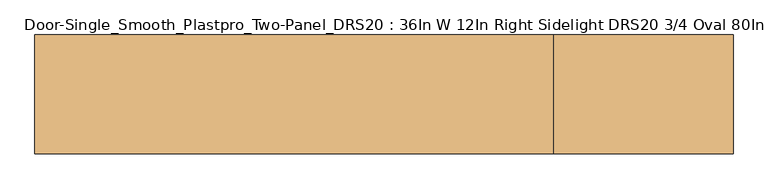
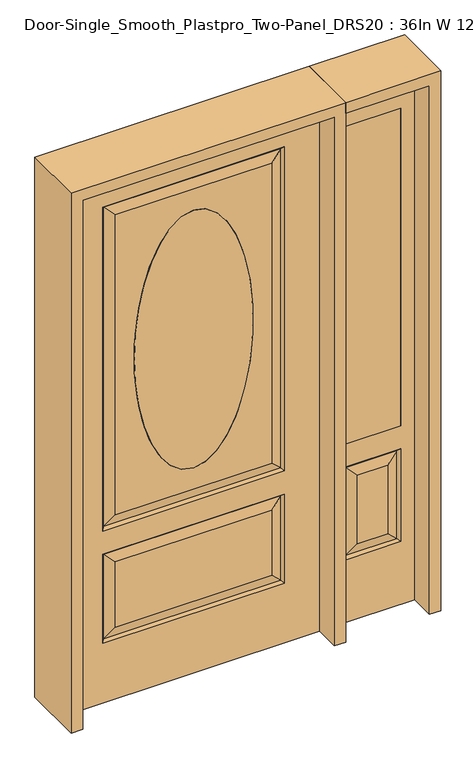
"""IFC4 building model written with IfcOpenShell, lengths in millimetres: door geometry, Door-Single_Smooth_Plastpro_Two-Panel_DRS20 : 36In W 12In Right Sidelight DRS20 3/4 Oval 80In Smooth."""

from ifc_helpers import new_model, si_unit, point, frame, origin, place, context, project, spatial, polyline, ellipse_curve, trimmed, outline, extrude, faceted_brep, source, transform, mapped, element, save
from ifc_brep_helpers import plane_surface, extruded_surface, advanced_brep


def door_single_smooth_plastpro_two_panel_drs20_36in_w_12in_939c42a2(model_context):
    return source(origin(), model_context, "Body", "SolidModel", [
        extrude(outline(polyline([(549.275, -20.6375), (549.275, 20.6375), (752.475, 20.6375), (752.475, -20.6375), (549.275, -20.6375)])), frame((0.0, 0.0, 685.8), z_axis=(0.0, 0.0, 1.0), x_axis=(1.0, 0.0, 0.0)), (0.0, 0.0, 1.0), 1219.2),
        faceted_brep([(803.275, -20.6375, 0.0), (803.275, -20.6375, 2032.0), (498.475, -20.6375, 2032.0), (498.475, -20.6375, 0.0), (549.275, -20.6375, 685.8), (549.275, -20.6375, 1905.0), (752.475, -20.6375, 1905.0), (752.475, -20.6375, 685.8), (549.275, -20.6375, 241.3), (549.275, -20.6375, 596.9), (752.475, -20.6375, 596.9), (752.475, -20.6375, 241.3), (706.4375, -20.6375, 287.3375), (706.4375, -20.6375, 550.8625), (595.3125, -20.6375, 550.8625), (595.3125, -20.6375, 287.3375), (498.475, 20.6375, 0.0), (803.275, 20.6375, 0.0), (498.475, 20.6375, 2032.0), (803.275, 20.6375, 2032.0), (558.2552561, -11.6572439, 250.2802561), (743.4947439, -11.6572439, 250.2802561), (743.4947439, -11.6572439, 587.9197439), (558.2552561, -11.6572439, 587.9197439), (752.475, 20.6375, 685.8), (549.275, 20.6375, 685.8), (752.475, 20.6375, 1905.0), (549.275, 20.6375, 1905.0), (752.475, 20.6375, 241.3), (752.475, 20.6375, 596.9), (549.275, 20.6375, 596.9), (549.275, 20.6375, 241.3), (595.3125, 20.6375, 287.3375), (595.3125, 20.6375, 550.8625), (706.4375, 20.6375, 550.8625), (706.4375, 20.6375, 287.3375), (558.2552561, 11.6572439, 250.2802561), (743.4947439, 11.6572439, 250.2802561), (558.2552561, 11.6572439, 587.9197439), (743.4947439, 11.6572439, 587.9197439)], [[[0, 1, 2, 3], [4, 5, 6, 7], [8, 9, 10, 11]], [[12, 13, 14, 15]], [[3, 16, 17, 0]], [[2, 18, 16, 3]], [[0, 17, 19, 1]], [[20, 8, 11, 21]], [[11, 10, 22, 21]], [[10, 9, 23, 22]], [[20, 23, 9, 8]], [[21, 12, 15, 20]], [[15, 14, 23, 20]], [[22, 23, 14, 13]], [[21, 22, 13, 12]], [[4, 7, 24, 25]], [[7, 6, 26, 24]], [[25, 27, 5, 4]], [[17, 16, 18, 19], [24, 26, 27, 25], [28, 29, 30, 31]], [[32, 33, 34, 35]], [[28, 31, 36, 37]], [[31, 30, 38, 36]], [[39, 38, 30, 29]], [[37, 39, 29, 28]], [[36, 32, 35, 37]], [[35, 34, 39, 37]], [[34, 33, 38, 39]], [[36, 38, 33, 32]], [[1, 19, 18, 2]], [[27, 26, 6, 5]]]),
        advanced_brep(
        [(0.0, -20.6375, 1778.0), (0.0, -20.6375, 787.4), (0.0, 20.6375, 1778.0), (0.0, 20.6375, 787.4)],
        [
            (0, 1, ellipse_curve(frame((0.0, -20.6375, 1282.7), z_axis=(0.0, -1.0, 0.0), x_axis=(0.0, 0.0, -1.0)), 495.3, 215.9)),
            (1, 0, ellipse_curve(frame((0.0, -20.6375, 1282.7), z_axis=(0.0, -1.0, 0.0), x_axis=(0.0, 0.0, -1.0)), 495.3, 215.9)),
            (0, 2),
            (2, 3, ellipse_curve(frame((0.0, 20.6375, 1282.7), z_axis=(0.0, -1.0, 0.0), x_axis=(0.0, 0.0, -1.0)), 495.3, 215.9)),
            (3, 1),
            (3, 2, ellipse_curve(frame((0.0, 20.6375, 1282.7), z_axis=(0.0, -1.0, 0.0), x_axis=(0.0, 0.0, -1.0)), 495.3, 215.9)),
        ],
        [
            plane_surface(frame((0.0, -20.6375, 787.4), z_axis=(0.0, -1.0, 0.0), x_axis=(1.0, 0.0, 0.0))),
            extruded_surface(trimmed(ellipse_curve(frame((0.0, 61.9125, 1282.7), z_axis=(0.0, -1.0, 0.0), x_axis=(0.0, 0.0, -1.0)), 495.3, 215.9), [point((0.0, 61.9125, 1778.0))], [point((0.0, 61.9125, 787.4))], True, "CARTESIAN"), (0.0, -41.275000000000006, 0.0), 41.275000000000006),
            extruded_surface(trimmed(ellipse_curve(frame((0.0, 61.9125, 1282.7), z_axis=(0.0, -1.0, 0.0), x_axis=(0.0, 0.0, -1.0)), 495.3, 215.9), [point((0.0, 61.9125, 787.4))], [point((0.0, 61.9125, 1778.0))], True, "CARTESIAN"), (0.0, -41.275000000000006, 0.0), 41.275000000000006),
            plane_surface(frame((0.0, 20.6375, 787.4), z_axis=(0.0, 1.0, 0.0), x_axis=(-1.0, 0.0, 0.0))),
        ],
        [
            (0, [[1, 2]]),
            (1, [[-1, 3, 4, 5]]),
            (2, [[-2, -5, 6, -3]]),
            (3, [[-6, -4]]),
        ],
    ),
        advanced_brep(
        [(457.2, 20.6375, 0.0), (457.2, -20.6375, 0.0), (-457.2, -20.6375, 0.0), (-457.2, 20.6375, 0.0), (457.2, 20.6375, 2032.0), (457.2, -20.6375, 2032.0), (-284.1625, -20.6375, 706.4375), (284.1625, -20.6375, 706.4375), (284.1625, -20.6375, 1858.9625), (-284.1625, -20.6375, 1858.9625), (0.0, -20.6375, 787.4), (0.0, -20.6375, 1778.0), (-284.1625, -20.6375, 274.6375), (284.1625, -20.6375, 274.6375), (284.1625, -20.6375, 525.4625), (-284.1625, -20.6375, 525.4625), (-457.2, -20.6375, 2032.0), (330.2, -20.6375, 660.4), (-330.2, -20.6375, 660.4), (-330.2, -20.6375, 1905.0), (330.2, -20.6375, 1905.0), (330.2, -20.6375, 228.6), (-330.2, -20.6375, 228.6), (-330.2, -20.6375, 571.5), (330.2, -20.6375, 571.5), (-457.2, 20.6375, 2032.0), (-284.1625, 20.6375, 525.4625), (284.1625, 20.6375, 525.4625), (284.1625, 20.6375, 274.6375), (-284.1625, 20.6375, 274.6375), (-284.1625, 20.6375, 1858.9625), (284.1625, 20.6375, 1858.9625), (284.1625, 20.6375, 706.4375), (-284.1625, 20.6375, 706.4375), (0.0, 20.6375, 1778.0), (0.0, 20.6375, 787.4), (330.2, 20.6375, 571.5), (-330.2, 20.6375, 571.5), (-330.2, 20.6375, 228.6), (330.2, 20.6375, 228.6), (330.2, 20.6375, 1905.0), (-330.2, 20.6375, 1905.0), (-330.2, 20.6375, 660.4), (330.2, 20.6375, 660.4), (-321.2197439, 11.6572439, 1896.0197439), (-321.2197439, 11.6572439, 669.3802561), (321.2197439, 11.6572439, 669.3802561), (321.2197439, 11.6572439, 1896.0197439), (321.2197439, 11.6572439, 562.5197439), (-321.2197439, 11.6572439, 562.5197439), (-321.2197439, 11.6572439, 237.5802561), (321.2197439, 11.6572439, 237.5802561), (321.2197439, -11.6572439, 669.3802561), (-321.2197439, -11.6572439, 669.3802561), (-321.2197439, -11.6572439, 1896.0197439), (321.2197439, -11.6572439, 1896.0197439), (321.2197439, -11.6572439, 237.5802561), (-321.2197439, -11.6572439, 237.5802561), (-321.2197439, -11.6572439, 562.5197439), (321.2197439, -11.6572439, 562.5197439)],
        [
            (0, 1),
            (1, 2),
            (2, 3),
            (3, 0),
            (4, 5),
            (5, 1),
            (0, 4),
            (6, 7),
            (7, 8),
            (8, 9),
            (9, 6),
            (10, 11, ellipse_curve(frame((0.0, -20.6375, 1282.7), z_axis=(0.0, 1.0, 0.0), x_axis=(0.0, 0.0, -1.0)), 495.3, 215.9)),
            (11, 10, ellipse_curve(frame((0.0, -20.6375, 1282.7), z_axis=(0.0, 1.0, 0.0), x_axis=(0.0, 0.0, -1.0)), 495.3, 215.9)),
            (12, 13),
            (13, 14),
            (14, 15),
            (15, 12),
            (5, 16),
            (16, 2),
            (17, 18),
            (18, 19),
            (19, 20),
            (20, 17),
            (21, 22),
            (22, 23),
            (23, 24),
            (24, 21),
            (16, 25),
            (25, 3),
            (26, 27),
            (27, 28),
            (28, 29),
            (29, 26),
            (30, 31),
            (31, 32),
            (32, 33),
            (33, 30),
            (34, 35, ellipse_curve(frame((0.0, 20.6375, 1282.7), z_axis=(0.0, -1.0, 0.0), x_axis=(0.0, 0.0, -1.0)), 495.3, 215.9)),
            (35, 34, ellipse_curve(frame((0.0, 20.6375, 1282.7), z_axis=(0.0, -1.0, 0.0), x_axis=(0.0, 0.0, -1.0)), 495.3, 215.9)),
            (25, 4),
            (36, 37),
            (37, 38),
            (38, 39),
            (39, 36),
            (40, 41),
            (41, 42),
            (42, 43),
            (43, 40),
            (41, 44),
            (44, 45),
            (45, 42),
            (45, 46),
            (46, 43),
            (47, 40),
            (46, 47),
            (31, 47),
            (46, 32),
            (45, 33),
            (44, 30),
            (48, 49),
            (49, 37),
            (36, 48),
            (49, 50),
            (50, 38),
            (50, 51),
            (51, 39),
            (51, 48),
            (48, 27),
            (26, 49),
            (51, 28),
            (50, 29),
            (10, 35),
            (34, 11),
            (52, 53),
            (53, 18),
            (17, 52),
            (53, 54),
            (54, 19),
            (20, 55),
            (55, 52),
            (52, 7),
            (6, 53),
            (55, 8),
            (9, 54),
            (56, 57),
            (57, 22),
            (21, 56),
            (57, 58),
            (58, 23),
            (58, 59),
            (59, 24),
            (59, 56),
            (56, 13),
            (12, 57),
            (59, 14),
            (58, 15),
            (54, 55),
            (47, 44),
        ],
        [
            plane_surface(frame((-457.2, 20.6375, 0.0), z_axis=(0.0, 0.0, -1.0), x_axis=(1.0, 0.0, 0.0))),
            plane_surface(frame((457.2, -20.6375, 2032.0), z_axis=(1.0, 0.0, 0.0), x_axis=(0.0, 0.0, -1.0))),
            plane_surface(frame((-457.2, -20.6375, 2032.0), z_axis=(0.0, -1.0, 0.0), x_axis=(0.0, 0.0, -1.0))),
            plane_surface(frame((-457.2, 20.6375, 2032.0), z_axis=(-1.0, 0.0, 0.0), x_axis=(0.0, 0.0, -1.0))),
            plane_surface(frame((457.2, 20.6375, 2032.0), z_axis=(0.0, 1.0, 0.0), x_axis=(0.0, 0.0, -1.0))),
            plane_surface(frame((-330.2, 20.6375, 1905.0), z_axis=(0.7071067811865436, 0.7071067811865516, 0.0), x_axis=(0.0, 0.0, -1.0))),
            plane_surface(frame((-330.2, 20.6375, 660.4), z_axis=(0.0, 0.7071067811865516, 0.7071067811865436), x_axis=(1.0, 0.0, 0.0))),
            plane_surface(frame((330.2, 20.6375, 660.4), z_axis=(-0.7071067811865436, 0.7071067811865516, 0.0), x_axis=(0.0, 0.0, 1.0))),
            plane_surface(frame((321.2197439, 11.6572439, 669.3802561), z_axis=(0.2355178326930706, 0.9718700275672457, 0.0), x_axis=(0.0, 0.0, 1.0))),
            plane_surface(frame((-321.2197439, 11.6572439, 669.3802561), z_axis=(0.0, 0.9718700275672457, -0.2355178326930706), x_axis=(1.0, 0.0, 0.0))),
            plane_surface(frame((-321.2197439, 11.6572439, 1896.0197439), z_axis=(-0.2355178326930706, 0.9718700275672457, 0.0), x_axis=(0.0, 0.0, -1.0))),
            plane_surface(frame((330.2, 20.6375, 571.5), z_axis=(0.0, 0.7071067811865542, -0.7071067811865409), x_axis=(-1.0, 0.0, 0.0))),
            plane_surface(frame((-330.2, 20.6375, 571.5), z_axis=(0.7071067811865409, 0.7071067811865542, 0.0), x_axis=(0.0, 0.0, -1.0))),
            plane_surface(frame((-330.2, 20.6375, 228.6), z_axis=(0.0, 0.7071067811865542, 0.7071067811865409), x_axis=(1.0, 0.0, 0.0))),
            plane_surface(frame((330.2, 20.6375, 228.6), z_axis=(-0.7071067811865409, 0.7071067811865542, 0.0), x_axis=(0.0, 0.0, 1.0))),
            plane_surface(frame((321.2197439, 11.6572439, 562.5197439), z_axis=(0.0, 0.9718700275672457, 0.2355178326930706), x_axis=(-1.0, 0.0, 0.0))),
            plane_surface(frame((321.2197439, 11.6572439, 237.5802561), z_axis=(0.2355178326930706, 0.9718700275672457, 0.0), x_axis=(0.0, 0.0, 1.0))),
            plane_surface(frame((-321.2197439, 11.6572439, 237.5802561), z_axis=(0.0, 0.9718700275672457, -0.2355178326930706), x_axis=(1.0, 0.0, 0.0))),
            plane_surface(frame((-321.2197439, 11.6572439, 562.5197439), z_axis=(-0.2355178326930706, 0.9718700275672457, 0.0), x_axis=(0.0, 0.0, -1.0))),
            extruded_surface(trimmed(ellipse_curve(frame((0.0, 20.6375, 1282.7), z_axis=(0.0, -1.0, 0.0), x_axis=(0.0, 0.0, -1.0)), 495.3, 215.9), [point((0.0, 20.6375, 1778.0))], [point((0.0, 20.6375, 787.4))], True, "CARTESIAN"), (0.0, 41.275000000000006, 0.0), 41.275000000000006),
            extruded_surface(trimmed(ellipse_curve(frame((0.0, 20.6375, 1282.7), z_axis=(0.0, -1.0, 0.0), x_axis=(0.0, 0.0, -1.0)), 495.3, 215.9), [point((0.0, 20.6375, 787.4))], [point((0.0, 20.6375, 1778.0))], True, "CARTESIAN"), (0.0, 41.275000000000006, 0.0), 41.275000000000006),
            plane_surface(frame((330.2, -20.6375, 660.4), z_axis=(0.0, -0.7071067811865466, 0.7071067811865486), x_axis=(-1.0, 0.0, 0.0))),
            plane_surface(frame((-330.2, -20.6375, 660.4), z_axis=(0.7071067811865486, -0.7071067811865466, 0.0), x_axis=(0.0, 0.0, 1.0))),
            plane_surface(frame((330.2, -20.6375, 1905.0), z_axis=(-0.7071067811865486, -0.7071067811865466, 0.0), x_axis=(0.0, 0.0, -1.0))),
            plane_surface(frame((321.2197439, -11.6572439, 669.3802561), z_axis=(0.0, -0.9718700275672454, -0.23551783269307167), x_axis=(-1.0, 0.0, 0.0))),
            plane_surface(frame((321.2197439, -11.6572439, 1896.0197439), z_axis=(0.23551783269307167, -0.9718700275672454, 0.0), x_axis=(0.0, 0.0, -1.0))),
            plane_surface(frame((-321.2197439, -11.6572439, 669.3802561), z_axis=(-0.23551783269307167, -0.9718700275672454, 0.0), x_axis=(0.0, 0.0, 1.0))),
            plane_surface(frame((330.2, -20.6375, 228.6), z_axis=(0.0, -0.7071067811865489, 0.7071067811865462), x_axis=(-1.0, 0.0, 0.0))),
            plane_surface(frame((-330.2, -20.6375, 228.6), z_axis=(0.7071067811865462, -0.7071067811865489, 0.0), x_axis=(0.0, 0.0, 1.0))),
            plane_surface(frame((-330.2, -20.6375, 571.5), z_axis=(0.0, -0.7071067811865489, -0.7071067811865462), x_axis=(1.0, 0.0, 0.0))),
            plane_surface(frame((330.2, -20.6375, 571.5), z_axis=(-0.7071067811865462, -0.7071067811865489, 0.0), x_axis=(0.0, 0.0, -1.0))),
            plane_surface(frame((321.2197439, -11.6572439, 237.5802561), z_axis=(0.0, -0.9718700275672454, -0.2355178326930719), x_axis=(-1.0, 0.0, 0.0))),
            plane_surface(frame((321.2197439, -11.6572439, 562.5197439), z_axis=(0.2355178326930719, -0.9718700275672454, 0.0), x_axis=(0.0, 0.0, -1.0))),
            plane_surface(frame((-321.2197439, -11.6572439, 562.5197439), z_axis=(0.0, -0.9718700275672454, 0.2355178326930719), x_axis=(1.0, 0.0, 0.0))),
            plane_surface(frame((-321.2197439, -11.6572439, 237.5802561), z_axis=(-0.2355178326930719, -0.9718700275672454, 0.0), x_axis=(0.0, 0.0, 1.0))),
            plane_surface(frame((-457.2, 20.6375, 2032.0), z_axis=(0.0, 0.0, 1.0), x_axis=(-1.0, 0.0, 0.0))),
            plane_surface(frame((-330.2, -20.6375, 1905.0), z_axis=(0.0, -0.7071067811865466, -0.7071067811865486), x_axis=(1.0, 0.0, 0.0))),
            plane_surface(frame((-321.2197439, -11.6572439, 1896.0197439), z_axis=(0.0, -0.9718700275672454, 0.23551783269307167), x_axis=(1.0, 0.0, 0.0))),
            plane_surface(frame((330.2, 20.6375, 1905.0), z_axis=(0.0, 0.7071067811865516, -0.7071067811865436), x_axis=(-1.0, 0.0, 0.0))),
            plane_surface(frame((321.2197439, 11.6572439, 1896.0197439), z_axis=(0.0, 0.9718700275672457, 0.2355178326930706), x_axis=(-1.0, 0.0, 0.0))),
        ],
        [
            (0, [[1, 2, 3, 4]]),
            (1, [[5, 6, -1, 7]]),
            (2, [[8, 9, 10, 11], [12, 13]]),
            (2, [[14, 15, 16, 17]]),
            (2, [[18, 19, -2, -6], [20, 21, 22, 23], [24, 25, 26, 27]]),
            (3, [[28, 29, -3, -19]]),
            (4, [[30, 31, 32, 33]]),
            (4, [[34, 35, 36, 37], [38, 39]]),
            (4, [[40, -7, -4, -29], [41, 42, 43, 44], [45, 46, 47, 48]]),
            (5, [[49, 50, 51, -46]]),
            (6, [[-51, 52, 53, -47]]),
            (7, [[54, -48, -53, 55]]),
            (8, [[56, -55, 57, -35]]),
            (9, [[58, -36, -57, -52]]),
            (10, [[59, -37, -58, -50]]),
            (11, [[60, 61, -41, 62]]),
            (12, [[-61, 63, 64, -42]]),
            (13, [[-64, 65, 66, -43]]),
            (14, [[-62, -44, -66, 67]]),
            (15, [[-60, 68, -30, 69]]),
            (16, [[-68, -67, 70, -31]]),
            (17, [[71, -32, -70, -65]]),
            (18, [[-69, -33, -71, -63]]),
            (19, [[72, -38, 73, -12]]),
            (20, [[-72, -13, -73, -39]]),
            (21, [[74, 75, -20, 76]]),
            (22, [[-75, 77, 78, -21]]),
            (23, [[-76, -23, 79, 80]]),
            (24, [[-74, 81, -8, 82]]),
            (25, [[-81, -80, 83, -9]]),
            (26, [[-82, -11, 84, -77]]),
            (27, [[85, 86, -24, 87]]),
            (28, [[-86, 88, 89, -25]]),
            (29, [[-89, 90, 91, -26]]),
            (30, [[-87, -27, -91, 92]]),
            (31, [[-85, 93, -14, 94]]),
            (32, [[-93, -92, 95, -15]]),
            (33, [[96, -16, -95, -90]]),
            (34, [[-94, -17, -96, -88]]),
            (35, [[-40, -28, -18, -5]]),
            (36, [[-78, 97, -79, -22]]),
            (37, [[-84, -10, -83, -97]]),
            (38, [[98, -49, -45, -54]]),
            (39, [[-98, -56, -34, -59]]),
        ],
    ),
        extrude(outline(polyline([(2073.275, -498.475), (0.0, -498.475), (0.0, -457.2), (2032.0, -457.2), (2032.0, 457.2), (0.0, 457.2), (0.0, 498.475), (2073.275, 498.475), (2073.275, -498.475)])), frame((0.0, -114.3, 0.0), z_axis=(0.0, 1.0, 0.0), x_axis=(0.0, 0.0, 1.0)), (0.0, 0.0, 1.0), 228.6),
        extrude(outline(polyline([(0.0, 803.275), (0.0, 844.55), (2073.275, 844.55), (2073.275, 498.475), (2032.0, 498.475), (2032.0, 803.275), (0.0, 803.275)])), frame((0.0, -114.3, 0.0), z_axis=(0.0, 1.0, 0.0), x_axis=(0.0, 0.0, 1.0)), (0.0, 0.0, 1.0), 228.6),
    ])


if __name__ == "__main__":
    model = new_model("IFC4")
    model_context = context("Model", 3, world=origin())
    ifc_project = project(units=[si_unit("LENGTHUNIT", "METRE", prefix="MILLI")], contexts=[model_context])
    site = spatial("IfcSite", under=ifc_project)
    building = spatial("IfcBuilding", under=site)
    placement = place(None, origin())
    door_single_smooth_plastpro_two_panel_drs20_36in_w_12in_shape = door_single_smooth_plastpro_two_panel_drs20_36in_w_12in_939c42a2(model_context)
    element("IfcDoor", 1, ObjectType="Door-Single_Smooth_Plastpro_Two-Panel_DRS20 : 36In W 12In Right Sidelight DRS20 3/4 Oval 80In Smooth", at=placement, inside=building, context=model_context, shape_type="MappedRepresentation", body=[
        mapped(door_single_smooth_plastpro_two_panel_drs20_36in_w_12in_shape, transform((0.0, 0.0, 0.0), x_axis=(1.0, 0.0, 0.0), y_axis=(0.0, 1.0, 0.0), z_axis=(0.0, 0.0, 1.0))),
    ])
    save(model, "model.ifc")
